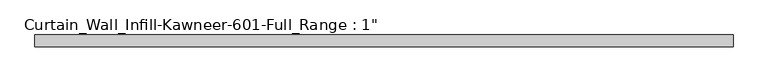
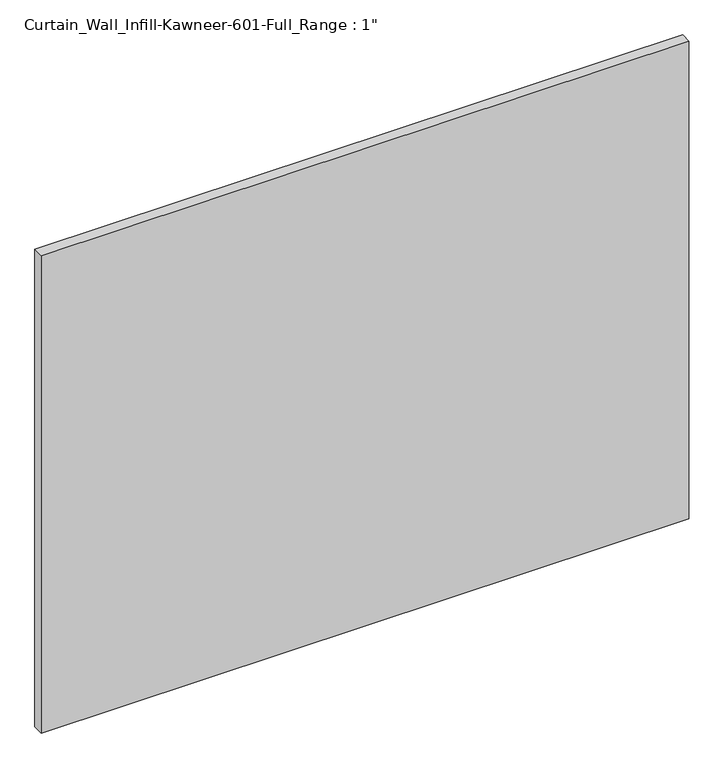
"""IFC4 building model written with IfcOpenShell, lengths in millimetres: plate geometry."""

from ifc_helpers import new_model, si_unit, origin, origin_with_axes, place, context, project, spatial, polyline, outline, extrude, source, transform, mapped, element, save


def plate_3ae9ecca(model_context):
    return source(origin(), model_context, "Body", "SweptSolid", [
        extrude(outline(polyline([(-762.0, 12.7), (762.0, 12.7), (762.0, -12.7), (-762.0, -12.7), (-762.0, 12.7)])), origin_with_axes(), (0.0, 0.0, 1.0), 1187.45),
    ])


if __name__ == "__main__":
    model = new_model("IFC4")
    model_context = context("Model", 3, world=origin())
    ifc_project = project(units=[si_unit("LENGTHUNIT", "METRE", prefix="MILLI")], contexts=[model_context])
    site = spatial("IfcSite", under=ifc_project)
    building = spatial("IfcBuilding", under=site)
    placement = place(None, origin())
    plate_shape = plate_3ae9ecca(model_context)
    element("IfcPlate", 1, ObjectType="Curtain_Wall_Infill-Kawneer-601-Full_Range : 1\"", at=placement, inside=building, context=model_context, shape_type="MappedRepresentation", body=[
        mapped(plate_shape, transform((0.0, 0.0, 0.0), x_axis=(1.0, 0.0, 0.0), y_axis=(0.0, 1.0, 0.0), z_axis=(0.0, 0.0, 1.0))),
    ])
    save(model, "model.ifc")
